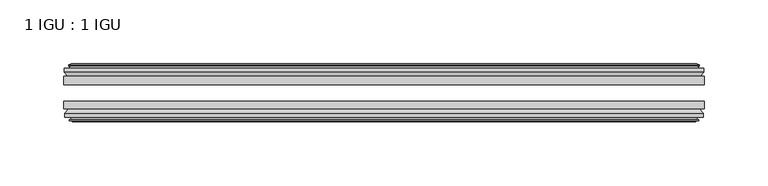
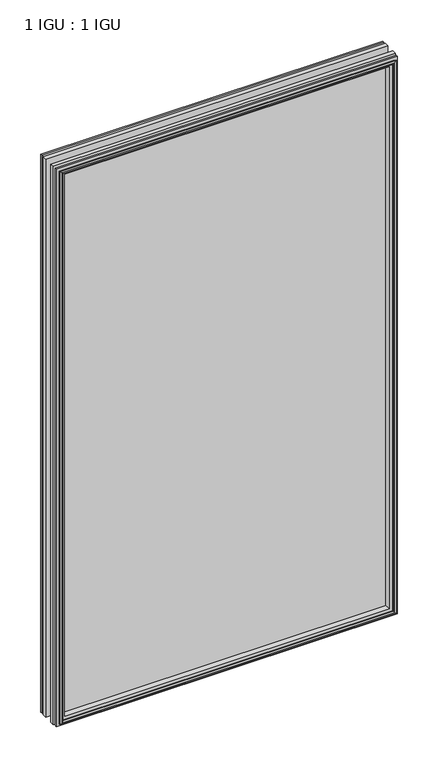
"""IFC4 building model written with IfcOpenShell, lengths in millimetres: plate geometry, 1 IGU : 1 IGU."""

from ifc_helpers import new_model, si_unit, frame, origin, place, context, project, spatial, polyline, outline, extrude, faceted_brep, source, transform, mapped, element, save


def plate_1_igu_1_igu_99cc0f98(model_context):
    return source(origin(), model_context, "Body", "SolidModel", [
        extrude(outline(polyline([(250.2202881, -25.8960937), (250.2202881, -32.2460938), (-250.2202881, -32.2460938), (-250.2202881, -25.8960937), (250.2202881, -25.8960937)])), frame((0.0, 0.0, -12.7), z_axis=(0.0, 0.0, 1.0), x_axis=(1.0, 0.0, 0.0)), (0.0, 0.0, 1.0), 863.6),
        extrude(outline(polyline([(-250.2202881, -51.2960938), (-250.2202881, -45.2686737), (250.2202881, -45.2686737), (250.2202881, -51.2960938), (-250.2202881, -51.2960938)])), frame((0.0, 0.0, -12.7), z_axis=(0.0, 0.0, 1.0), x_axis=(1.0, 0.0, 0.0)), (0.0, 0.0, 1.0), 863.6),
        faceted_brep([(-244.6322881, -60.0262907, 845.312), (-245.0132881, -57.6460937, 845.693), (-245.0132881, -57.6460937, -7.493), (-244.6322881, -60.0262907, -7.112), (-246.0478171, -59.5663575, 846.727529), (-246.0478171, -59.5663575, -8.5275291), (-246.0478171, -60.3675717, 846.727529), (-246.0478171, -60.3675717, -8.5275291), (-243.8702881, -61.0750937, 844.55), (-243.8702881, -61.0750937, -6.35), (-241.692759, -60.3675717, 842.3724709), (-241.692759, -60.3675717, -4.1724709), (-241.692759, -59.5663575, 842.3724709), (-241.692759, -59.5663575, -4.1724709), (-243.1082881, -60.0262907, 843.788), (-243.1082881, -60.0262907, -5.588), (-242.7272881, -57.6460937, 843.407), (-242.7272881, -57.6460937, -5.207), (-235.80257, -51.2960937, 836.4822819), (-237.5202881, -57.6460937, 838.2), (-237.5202881, -57.6460937, 0.0), (-235.80257, -51.2960937, 1.7177181), (-249.4582881, -54.6996937, 850.138), (-246.6239459, -51.2960937, 847.3036578), (-246.6239459, -51.2960937, -9.1036578), (-249.4582881, -54.6996937, -11.938), (-249.4582881, -57.6460937, 850.138), (-249.4582881, -57.6460937, -11.938), (245.0132881, -57.6460938, -7.493), (244.6322881, -60.0262907, -7.112), (246.0478171, -59.5663575, -8.5275291), (246.0478171, -60.3675717, -8.5275291), (243.8702881, -61.0750937, -6.35), (241.692759, -60.3675717, -4.1724709), (241.692759, -59.5663575, -4.1724709), (243.1082881, -60.0262907, -5.588), (242.7272881, -57.6460937, -5.207), (237.5202881, -57.6460937, 0.0), (235.80257, -51.2960937, 1.7177181), (246.6239459, -51.2960937, -9.1036578), (249.4582881, -54.6996937, -11.938), (249.4582881, -57.6460938, -11.938), (245.0132881, -57.6460938, 845.693), (244.6322881, -60.0262907, 845.312), (246.0478171, -59.5663575, 846.727529), (246.0478171, -60.3675717, 846.727529), (243.8702881, -61.0750937, 844.55), (241.692759, -60.3675717, 842.3724709), (241.692759, -59.5663575, 842.3724709), (243.1082881, -60.0262907, 843.788), (242.7272881, -57.6460937, 843.407), (237.5202881, -57.6460937, 838.2), (235.80257, -51.2960937, 836.4822819), (246.6239459, -51.2960937, 847.3036578), (249.4582881, -54.6996937, 850.138), (249.4582881, -57.6460938, 850.138)], [[[0, 1, 2, 3]], [[4, 0, 3, 5]], [[6, 4, 5, 7]], [[8, 6, 7, 9]], [[10, 8, 9, 11]], [[12, 10, 11, 13]], [[14, 12, 13, 15]], [[16, 14, 15, 17]], [[18, 19, 20, 21]], [[22, 23, 24, 25]], [[26, 22, 25, 27]], [[3, 2, 28, 29]], [[5, 3, 29, 30]], [[7, 5, 30, 31]], [[9, 7, 31, 32]], [[11, 9, 32, 33]], [[13, 11, 33, 34]], [[15, 13, 34, 35]], [[17, 15, 35, 36]], [[21, 20, 37, 38]], [[25, 24, 39, 40]], [[27, 25, 40, 41]], [[29, 28, 42, 43]], [[30, 29, 43, 44]], [[31, 30, 44, 45]], [[32, 31, 45, 46]], [[33, 32, 46, 47]], [[34, 33, 47, 48]], [[35, 34, 48, 49]], [[36, 35, 49, 50]], [[38, 37, 51, 52]], [[40, 39, 53, 54]], [[41, 40, 54, 55]], [[27, 41, 55, 26], [1, 42, 28, 2]], [[43, 42, 1, 0]], [[44, 43, 0, 4]], [[45, 44, 4, 6]], [[46, 45, 6, 8]], [[47, 46, 8, 10]], [[48, 47, 10, 12]], [[49, 48, 12, 14]], [[50, 49, 14, 16]], [[17, 36, 50, 16], [19, 51, 37, 20]], [[52, 51, 19, 18]], [[23, 53, 39, 24], [21, 38, 52, 18]], [[54, 53, 23, 22]], [[55, 54, 22, 26]]]),
        faceted_brep([(-247.1446459, -25.8960937, 847.8243578), (-249.9789881, -22.4924937, 850.6587), (-249.9789881, -22.4924937, -12.4587), (-247.1446459, -25.8960937, -9.6243578), (-238.0409881, -19.5460937, 838.7207), (-236.32327, -25.8960937, 837.0029819), (-236.32327, -25.8960937, 1.1970181), (-238.0409881, -19.5460937, -0.5207), (-243.6289881, -17.1658968, 844.3087), (-243.2479881, -19.5460937, 843.9277), (-243.2479881, -19.5460937, -5.7277), (-243.6289881, -17.1658968, -6.1087), (-242.213459, -17.62583, 842.8931709), (-242.213459, -17.62583, -4.6931709), (-242.213459, -16.8246158, 842.8931709), (-242.213459, -16.8246158, -4.6931709), (-244.3909881, -16.1170937, 845.0707), (-244.3909881, -16.1170937, -6.8707), (-246.5685171, -16.8246158, 847.248229), (-246.5685171, -16.8246158, -9.0482291), (-246.5685171, -17.62583, 847.248229), (-246.5685171, -17.62583, -9.0482291), (-245.1529881, -17.1658968, 845.8327), (-245.1529881, -17.1658968, -7.6327), (-245.5339881, -19.5460937, 846.2137), (-245.5339881, -19.5460937, -8.0137), (-249.9789881, -19.5460937, 850.6587), (-249.9789881, -19.5460937, -12.4587), (249.9789881, -22.4924937, -12.4587), (247.1446459, -25.8960937, -9.6243578), (236.32327, -25.8960937, 1.1970181), (238.0409881, -19.5460937, -0.5207), (243.2479881, -19.5460937, -5.7277), (243.6289881, -17.1658968, -6.1087), (242.213459, -17.62583, -4.6931709), (242.213459, -16.8246158, -4.6931709), (244.3909881, -16.1170937, -6.8707), (246.5685171, -16.8246158, -9.0482291), (246.5685171, -17.62583, -9.0482291), (245.1529881, -17.1658968, -7.6327), (245.5339881, -19.5460937, -8.0137), (249.9789881, -19.5460937, -12.4587), (249.9789881, -22.4924937, 850.6587), (247.1446459, -25.8960937, 847.8243578), (236.32327, -25.8960937, 837.0029819), (238.0409881, -19.5460937, 838.7207), (243.2479881, -19.5460937, 843.9277), (243.6289881, -17.1658968, 844.3087), (242.213459, -17.62583, 842.8931709), (242.213459, -16.8246158, 842.8931709), (244.3909881, -16.1170937, 845.0707), (246.5685171, -16.8246158, 847.248229), (246.5685171, -17.62583, 847.248229), (245.1529881, -17.1658968, 845.8327), (245.5339881, -19.5460937, 846.2137), (249.9789881, -19.5460937, 850.6587)], [[[0, 1, 2, 3]], [[4, 5, 6, 7]], [[8, 9, 10, 11]], [[12, 8, 11, 13]], [[14, 12, 13, 15]], [[16, 14, 15, 17]], [[18, 16, 17, 19]], [[20, 18, 19, 21]], [[22, 20, 21, 23]], [[24, 22, 23, 25]], [[1, 26, 27, 2]], [[3, 2, 28, 29]], [[7, 6, 30, 31]], [[11, 10, 32, 33]], [[13, 11, 33, 34]], [[15, 13, 34, 35]], [[17, 15, 35, 36]], [[19, 17, 36, 37]], [[21, 19, 37, 38]], [[23, 21, 38, 39]], [[25, 23, 39, 40]], [[2, 27, 41, 28]], [[29, 28, 42, 43]], [[31, 30, 44, 45]], [[33, 32, 46, 47]], [[34, 33, 47, 48]], [[35, 34, 48, 49]], [[36, 35, 49, 50]], [[37, 36, 50, 51]], [[38, 37, 51, 52]], [[39, 38, 52, 53]], [[40, 39, 53, 54]], [[28, 41, 55, 42]], [[43, 42, 1, 0]], [[3, 29, 43, 0], [5, 44, 30, 6]], [[45, 44, 5, 4]], [[9, 46, 32, 10], [7, 31, 45, 4]], [[47, 46, 9, 8]], [[48, 47, 8, 12]], [[49, 48, 12, 14]], [[50, 49, 14, 16]], [[51, 50, 16, 18]], [[52, 51, 18, 20]], [[53, 52, 20, 22]], [[54, 53, 22, 24]], [[26, 55, 41, 27], [25, 40, 54, 24]], [[42, 55, 26, 1]]]),
    ])


if __name__ == "__main__":
    model = new_model("IFC4")
    model_context = context("Model", 3, world=origin())
    ifc_project = project(units=[si_unit("LENGTHUNIT", "METRE", prefix="MILLI")], contexts=[model_context])
    site = spatial("IfcSite", under=ifc_project)
    building = spatial("IfcBuilding", under=site)
    placement = place(None, origin())
    plate_1_igu_1_igu_shape = plate_1_igu_1_igu_99cc0f98(model_context)
    element("IfcPlate", 1, ObjectType="1 IGU : 1 IGU", at=placement, inside=building, context=model_context, shape_type="MappedRepresentation", body=[
        mapped(plate_1_igu_1_igu_shape, transform((0.0, 0.0, 0.0), x_axis=(1.0, 0.0, 0.0), y_axis=(0.0, 1.0, 0.0), z_axis=(0.0, 0.0, 1.0))),
    ])
    save(model, "model.ifc")
